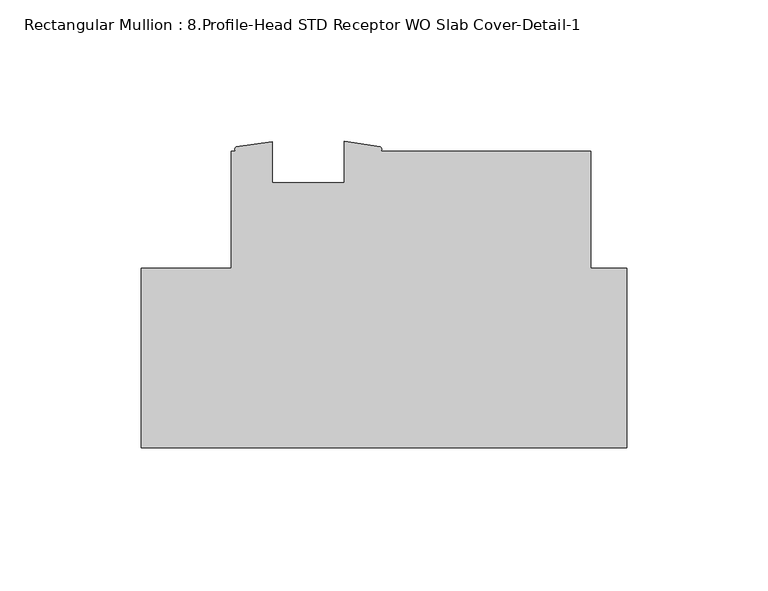
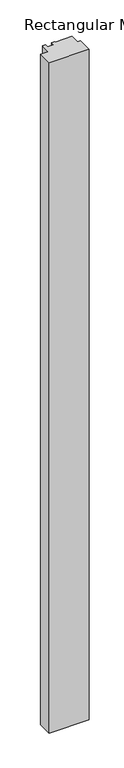
"""IFC4 building model written with IfcOpenShell, lengths in millimetres: member geometry, Rectangular Mullion : 8.Profile-Head STD Receptor WO Slab Cover-Detail-1."""

from ifc_helpers import new_model, si_unit, point, frame, frame_2d, origin, place, context, project, spatial, polyline, circle_curve, trimmed, segment, composite_curve, outline, extrude, source, transform, mapped, element, save


def rectangular_mullion_8_profile_head_std_receptor_wo_slab_61324955(model_context):
    return source(origin(), model_context, "Body", "SweptSolid", [
        extrude(outline(composite_curve([segment(polyline([(-139.6999999, 63.5254), (-139.6999999, 104.7749997), (-137.9687934, 104.7749997)]), True, "CONTINUOUS"), segment(trimmed(circle_curve(frame_2d((-137.5053826, 105.5679478)), 0.9184314), [point((-137.9687934, 104.7749997))], [point((-137.9687934, 106.3608959))], False, "CARTESIAN"), True, "CONTINUOUS"), segment(polyline([(-137.9687934, 106.3608959), (-125.1975059, 108.1709997), (-125.1975059, 93.6624997), (-99.8142368, 93.6624997), (-99.8142368, 108.2969527), (-87.0244531, 106.4384041)]), True, "CONTINUOUS"), segment(trimmed(circle_curve(frame_2d((-87.5866108, 105.6067019)), 1.0038674), [point((-87.0244531, 106.4384041))], [point((-87.0244531, 104.7749997))], False, "CARTESIAN"), True, "CONTINUOUS"), segment(polyline([(-87.0244531, 104.7749997), (-12.7010309, 104.7749997), (-12.7010309, 63.5322656), (0.0, 63.5322656), (0.0, 0.0), (-171.4499999, 0.0), (-171.4499999, 63.5254), (-139.6999999, 63.5254)]), True, "CONTINUOUS")], self_intersect=False)), frame((0.0, 0.0, -3048.0), z_axis=(0.0, 0.0, 1.0), x_axis=(1.0, 0.0, 0.0)), (0.0, 0.0, 1.0), 3048.0),
    ])


if __name__ == "__main__":
    model = new_model("IFC4")
    model_context = context("Model", 3, world=origin())
    ifc_project = project(units=[si_unit("LENGTHUNIT", "METRE", prefix="MILLI")], contexts=[model_context])
    site = spatial("IfcSite", under=ifc_project)
    building = spatial("IfcBuilding", under=site)
    placement = place(None, origin())
    rectangular_mullion_8_profile_head_std_receptor_wo_slab_shape = rectangular_mullion_8_profile_head_std_receptor_wo_slab_61324955(model_context)
    element("IfcMember", 1, ObjectType="Rectangular Mullion : 8.Profile-Head STD Receptor WO Slab Cover-Detail-1", at=placement, inside=building, context=model_context, shape_type="MappedRepresentation", body=[
        mapped(rectangular_mullion_8_profile_head_std_receptor_wo_slab_shape, transform((0.0, 0.0, 0.0), x_axis=(1.0, 0.0, 0.0), y_axis=(0.0, 1.0, 0.0), z_axis=(0.0, 0.0, 1.0))),
    ])
    save(model, "model.ifc")
